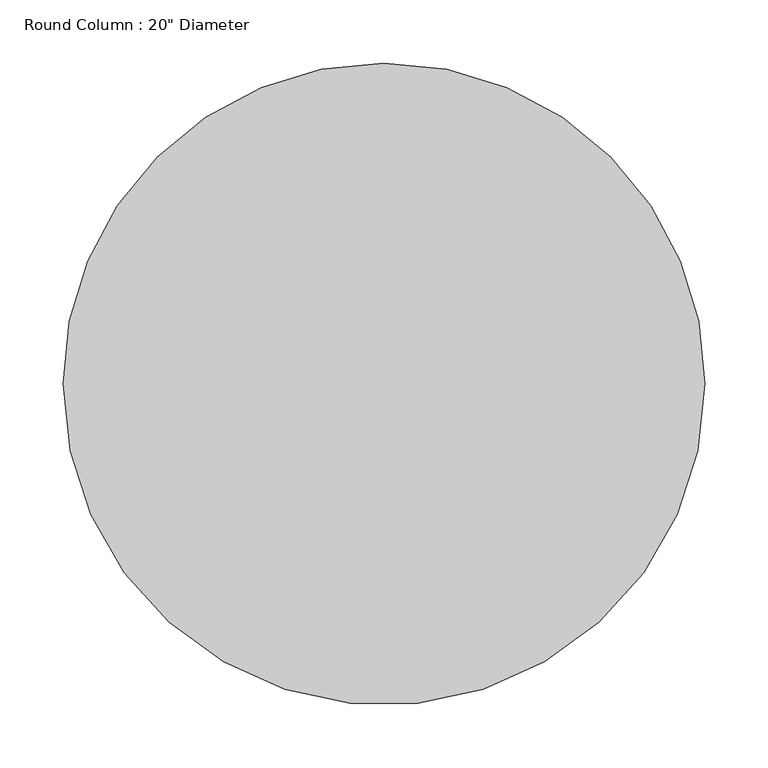
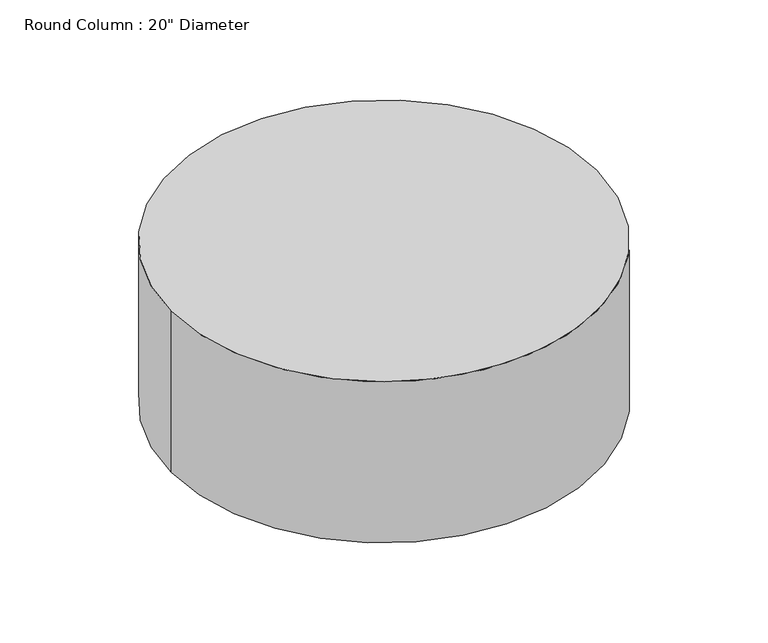
"""IFC4 building model written with IfcOpenShell, lengths in millimetres: column geometry."""

from ifc_helpers import new_model, si_unit, point, frame, origin, origin_2d, place, context, project, spatial, circle_curve, trimmed, segment, composite_curve, outline, extrude, source, transform, mapped, element, save


def column_fe93ae80(model_context):
    return source(origin(), model_context, "Body", "SweptSolid", [
        extrude(outline(composite_curve([segment(trimmed(circle_curve(origin_2d(), 254.0), [point((254.0, 0.0))], [point((-254.0, 0.0))], False, "CARTESIAN"), True, "CONTINUOUS"), segment(trimmed(circle_curve(origin_2d(), 254.0), [point((-254.0, 0.0))], [point((0.0, 254.0))], False, "CARTESIAN"), True, "CONTINUOUS"), segment(trimmed(circle_curve(origin_2d(), 254.0), [point((0.0, 254.0))], [point((254.0, 0.0))], False, "CARTESIAN"), True, "CONTINUOUS")], self_intersect=False)), frame((0.0, 0.0, 1435.1), z_axis=(0.0, 0.0, 1.0), x_axis=(1.0, 0.0, 0.0)), (0.0, 0.0, 1.0), 203.2),
    ])


if __name__ == "__main__":
    model = new_model("IFC4")
    model_context = context("Model", 3, world=origin())
    ifc_project = project(units=[si_unit("LENGTHUNIT", "METRE", prefix="MILLI")], contexts=[model_context])
    site = spatial("IfcSite", under=ifc_project)
    building = spatial("IfcBuilding", under=site)
    placement = place(None, origin())
    column_shape = column_fe93ae80(model_context)
    element("IfcColumn", 1, ObjectType="Round Column : 20\" Diameter", at=placement, inside=building, context=model_context, shape_type="MappedRepresentation", body=[
        mapped(column_shape, transform((0.0, 0.0, 0.0), x_axis=(1.0, 0.0, 0.0), y_axis=(0.0, 1.0, 0.0), z_axis=(0.0, 0.0, 1.0))),
    ])
    save(model, "model.ifc")
